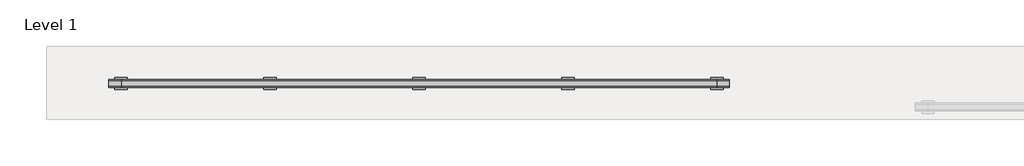
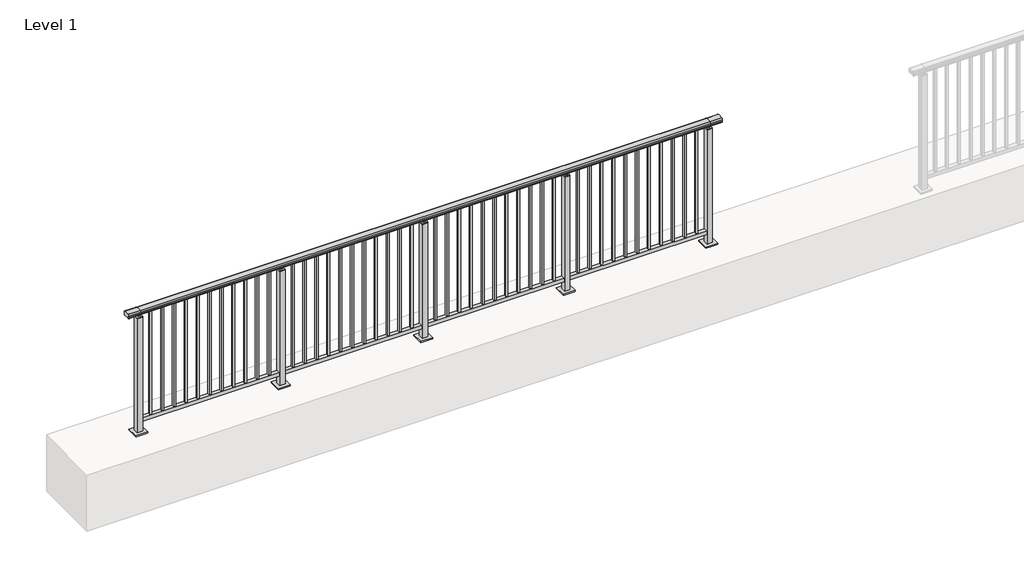
# One storey, part 24 of 64: 1 railing.
"""IFC4 building model written with IfcOpenShell, lengths in millimetres."""

from ifc_helpers import new_model, si_unit, frame, origin, origin_with_axes, place, context, project, spatial, polyline, circle_curve, outline, extrude, element, save
from ifc_brep_helpers import plane_surface, cylinder_surface, revolved_surface, advanced_brep

model = new_model("IFC4")

# Units and contexts
model_context = context("Model", 3, world=origin())
ifc_project = project(units=[si_unit("LENGTHUNIT", "METRE", prefix="MILLI")], contexts=[model_context])

# Site, building, storey
site = spatial("IfcSite", under=ifc_project)
building = spatial("IfcBuilding", under=site)
storey = spatial("IfcBuildingStorey", under=building, Name="Level 1", Elevation=0.0)

# Railing
placement = place(None, origin())
element("IfcRailing", 1, at=placement, inside=storey, context=model_context, shape_type="SolidModel", body=[
    advanced_brep(
    [(-100.0, 17715.3633756, 1095.6691182), (-100.0, 17720.1846828, 1081.1334092), (-100.0, 17719.2413744, 1069.2539035), (-100.0, 17721.1364177, 1061.4863007), (-100.0, 17719.4894799, 1060.384124), (-100.0, 17719.4894799, 1062.0), (-100.0, 17660.8798858, 1062.0), (-100.0, 17660.8798858, 1060.384124), (-100.0, 17659.232948, 1061.4863007), (-100.0, 17661.1279912, 1069.2539035), (-100.0, 17660.1846828, 1081.1334092), (-100.0, 17665.00599, 1095.6691182), (4900.0, 17715.3633756, 1095.6691182), (4900.0, 17665.00599, 1095.6691182), (4900.0, 17660.1846828, 1081.1334092), (4900.0, 17661.1279912, 1069.2539035), (4900.0, 17659.232948, 1061.4863007), (4900.0, 17660.8798858, 1060.384124), (4900.0, 17660.8798858, 1062.0), (4900.0, 17719.4894799, 1062.0), (4900.0, 17719.4894799, 1060.384124), (4900.0, 17721.1364177, 1061.4863007), (4900.0, 17719.2413744, 1069.2539035), (4900.0, 17720.1846828, 1081.1334092), (0.0, 17715.3633756, 1095.6691182), (0.0, 17720.1846828, 1081.1334092), (0.0, 17719.2413744, 1069.2539035), (0.0, 17721.1364177, 1061.4863007), (0.0, 17719.4894799, 1060.384124), (0.0, 17719.4894799, 1062.0), (0.0, 17660.8798858, 1062.0), (0.0, 17660.8798858, 1060.384124), (0.0, 17659.232948, 1061.4863007), (0.0, 17661.1279912, 1069.2539035), (0.0, 17660.1846828, 1081.1334092), (0.0, 17665.00599, 1095.6691182), (4800.0, 17715.3633756, 1095.6691182), (4800.0, 17720.1846828, 1081.1334092), (4800.0, 17719.2413744, 1069.2539035), (4800.0, 17721.1364177, 1061.4863007), (4800.0, 17719.4894799, 1060.384124), (4800.0, 17719.4894799, 1062.0), (4800.0, 17660.8798858, 1062.0), (4800.0, 17660.8798858, 1060.384124), (4800.0, 17659.232948, 1061.4863007), (4800.0, 17661.1279912, 1069.2539035), (4800.0, 17660.1846828, 1081.1334092), (4800.0, 17665.00599, 1095.6691182)],
    [
        (0, 1, circle_curve(frame((-100.0, 17712.1223845, 1086.526686), z_axis=(-1.0, 0.0, 0.0), x_axis=(0.0, -1.0, 0.0)), 9.6999015)),
        (1, 2, circle_curve(frame((-100.0, 17737.7252545, 1073.7633709), z_axis=(1.0, 0.0, 0.0), x_axis=(0.0, -1.0, 0.0)), 19.0260117)),
        (2, 3),
        (3, 4, circle_curve(frame((-100.0, 17720.2772073, 1060.9886194), z_axis=(-1.0, 0.0, 0.0), x_axis=(0.0, -1.0, 0.0)), 0.9929396)),
        (4, 5),
        (5, 6),
        (6, 7),
        (7, 8, circle_curve(frame((-100.0, 17660.0921584, 1060.9886194), z_axis=(-1.0, 0.0, 0.0), x_axis=(0.0, 1.0, 0.0)), 0.9929396)),
        (8, 9),
        (9, 10, circle_curve(frame((-100.0, 17642.6441111, 1073.7633709), z_axis=(1.0, 0.0, 0.0), x_axis=(0.0, 1.0, 0.0)), 19.0260117)),
        (10, 11, circle_curve(frame((-100.0, 17668.2469812, 1086.526686), z_axis=(-1.0, 0.0, 0.0), x_axis=(0.0, 1.0, 0.0)), 9.6999015)),
        (11, 0, circle_curve(frame((-100.0, 17690.1846828, 1024.6431628), z_axis=(-1.0, 0.0, 0.0), x_axis=(0.0, 1.0, 0.0)), 75.3568372)),
        (12, 13, circle_curve(frame((4900.0, 17690.1846828, 1024.6431628), z_axis=(1.0, 0.0, 0.0), x_axis=(0.0, 1.0, 0.0)), 75.3568372)),
        (13, 14, circle_curve(frame((4900.0, 17668.2469812, 1086.526686), z_axis=(1.0, 0.0, 0.0), x_axis=(0.0, 1.0, 0.0)), 9.6999015)),
        (14, 15, circle_curve(frame((4900.0, 17642.6441111, 1073.7633709), z_axis=(-1.0, 0.0, 0.0), x_axis=(0.0, 1.0, 0.0)), 19.0260117)),
        (15, 16),
        (16, 17, circle_curve(frame((4900.0, 17660.0921584, 1060.9886194), z_axis=(1.0, 0.0, 0.0), x_axis=(0.0, 1.0, 0.0)), 0.9929396)),
        (17, 18),
        (18, 19),
        (19, 20),
        (20, 21, circle_curve(frame((4900.0, 17720.2772073, 1060.9886194), z_axis=(1.0, 0.0, 0.0), x_axis=(0.0, -1.0, 0.0)), 0.9929396)),
        (21, 22),
        (22, 23, circle_curve(frame((4900.0, 17737.7252545, 1073.7633709), z_axis=(-1.0, 0.0, 0.0), x_axis=(0.0, -1.0, 0.0)), 19.0260117)),
        (23, 12, circle_curve(frame((4900.0, 17712.1223845, 1086.526686), z_axis=(1.0, 0.0, 0.0), x_axis=(0.0, -1.0, 0.0)), 9.6999015)),
        (0, 24),
        (24, 25, circle_curve(frame((0.0, 17712.1223845, 1086.526686), z_axis=(-1.0, 0.0, 0.0), x_axis=(0.0, -1.0, 0.0)), 9.6999015)),
        (25, 1),
        (25, 26, circle_curve(frame((0.0, 17737.7252545, 1073.7633709), z_axis=(1.0, 0.0, 0.0), x_axis=(0.0, -1.0, 0.0)), 19.0260117)),
        (26, 2),
        (26, 27),
        (27, 3),
        (27, 28, circle_curve(frame((0.0, 17720.2772073, 1060.9886194), z_axis=(-1.0, 0.0, 0.0), x_axis=(0.0, -1.0, 0.0)), 0.9929396)),
        (28, 4),
        (28, 29),
        (29, 5),
        (29, 30),
        (30, 6),
        (30, 31),
        (31, 7),
        (31, 32, circle_curve(frame((0.0, 17660.0921584, 1060.9886194), z_axis=(-1.0, 0.0, 0.0), x_axis=(0.0, 1.0, 0.0)), 0.9929396)),
        (32, 8),
        (32, 33),
        (33, 9),
        (33, 34, circle_curve(frame((0.0, 17642.6441111, 1073.7633709), z_axis=(1.0, 0.0, 0.0), x_axis=(0.0, 1.0, 0.0)), 19.0260117)),
        (34, 10),
        (34, 35, circle_curve(frame((0.0, 17668.2469812, 1086.526686), z_axis=(-1.0, 0.0, 0.0), x_axis=(0.0, 1.0, 0.0)), 9.6999015)),
        (35, 11),
        (35, 24, circle_curve(frame((0.0, 17690.1846828, 1024.6431628), z_axis=(-1.0, 0.0, 0.0), x_axis=(0.0, 1.0, 0.0)), 75.3568372)),
        (24, 36),
        (36, 37, circle_curve(frame((4800.0, 17712.1223845, 1086.526686), z_axis=(-1.0, 0.0, 0.0), x_axis=(0.0, -1.0, 0.0)), 9.6999015)),
        (37, 25),
        (37, 38, circle_curve(frame((4800.0, 17737.7252545, 1073.7633709), z_axis=(1.0, 0.0, 0.0), x_axis=(0.0, -1.0, 0.0)), 19.0260117)),
        (38, 26),
        (38, 39),
        (39, 27),
        (39, 40, circle_curve(frame((4800.0, 17720.2772073, 1060.9886194), z_axis=(-1.0, 0.0, 0.0), x_axis=(0.0, -1.0, 0.0)), 0.9929396)),
        (40, 28),
        (40, 41),
        (41, 29),
        (41, 42),
        (42, 30),
        (42, 43),
        (43, 31),
        (43, 44, circle_curve(frame((4800.0, 17660.0921584, 1060.9886194), z_axis=(-1.0, 0.0, 0.0), x_axis=(0.0, 1.0, 0.0)), 0.9929396)),
        (44, 32),
        (44, 45),
        (45, 33),
        (45, 46, circle_curve(frame((4800.0, 17642.6441111, 1073.7633709), z_axis=(1.0, 0.0, 0.0), x_axis=(0.0, 1.0, 0.0)), 19.0260117)),
        (46, 34),
        (46, 47, circle_curve(frame((4800.0, 17668.2469812, 1086.526686), z_axis=(-1.0, 0.0, 0.0), x_axis=(0.0, 1.0, 0.0)), 9.6999015)),
        (47, 35),
        (47, 36, circle_curve(frame((4800.0, 17690.1846828, 1024.6431628), z_axis=(-1.0, 0.0, 0.0), x_axis=(0.0, 1.0, 0.0)), 75.3568372)),
        (36, 12),
        (23, 37),
        (22, 38),
        (21, 39),
        (20, 40),
        (19, 41),
        (18, 42),
        (17, 43),
        (16, 44),
        (15, 45),
        (14, 46),
        (13, 47),
    ],
    [
        plane_surface(frame((-100.0, 17690.1846828, 1100.0), z_axis=(-1.0, 0.0, 0.0), x_axis=(0.0, 1.0, 0.0))),
        plane_surface(frame((4900.0, 17690.1846828, 1100.0), z_axis=(1.0, 0.0, 0.0), x_axis=(0.0, 1.0, 0.0))),
        cylinder_surface(frame((-100.0, 17712.1223845, 1086.526686), z_axis=(-1.0, 0.0, 0.0), x_axis=(0.0, -1.0, 0.0)), 9.6999015),
        revolved_surface(polyline([(0.0, 17718.6992428, 1073.7633709), (-100.0, 17718.6992428, 1073.7633709)]), (-100.0, 17737.7252545, 1073.7633709), (1.0, 0.0, 0.0)),
        plane_surface(frame((-100.0, 17719.2413744, 1069.2539035), z_axis=(0.0, 0.9715057689301543, 0.2370159086125439), x_axis=(1.0, 0.0, 0.0))),
        cylinder_surface(frame((-100.0, 17720.2772073, 1060.9886194), z_axis=(-1.0, 0.0, 0.0), x_axis=(0.0, -1.0, 0.0)), 0.9929396),
        plane_surface(frame((-100.0, 17719.4894799, 1060.384124), z_axis=(0.0, -1.0, 0.0), x_axis=(1.0, 0.0, 0.0))),
        plane_surface(frame((-100.0, 17719.4894799, 1062.0), z_axis=(0.0, 0.0, -1.0), x_axis=(1.0, 0.0, 0.0))),
        plane_surface(frame((-100.0, 17660.8798858, 1062.0), z_axis=(0.0, 1.0, 0.0), x_axis=(1.0, 0.0, 0.0))),
        cylinder_surface(frame((-100.0, 17660.0921584, 1060.9886194), z_axis=(-1.0, 0.0, 0.0), x_axis=(0.0, 1.0, 0.0)), 0.9929396),
        plane_surface(frame((-100.0, 17659.232948, 1061.4863007), z_axis=(0.0, -0.9715057689301543, 0.2370159086125439), x_axis=(1.0, 0.0, 0.0))),
        revolved_surface(polyline([(0.0, 17661.6701228, 1073.7633709), (-100.0, 17661.6701228, 1073.7633709)]), (-100.0, 17642.6441111, 1073.7633709), (1.0, 0.0, 0.0)),
        cylinder_surface(frame((-100.0, 17668.2469812, 1086.526686), z_axis=(-1.0, 0.0, 0.0), x_axis=(0.0, 1.0, 0.0)), 9.6999015),
        cylinder_surface(frame((-100.0, 17690.1846828, 1024.6431628), z_axis=(-1.0, 0.0, 0.0), x_axis=(0.0, 1.0, 0.0)), 75.3568372),
        cylinder_surface(frame((0.0, 17712.1223845, 1086.526686), z_axis=(-1.0, 0.0, 0.0), x_axis=(0.0, -1.0, 0.0)), 9.6999015),
        revolved_surface(polyline([(4800.0, 17718.6992428, 1073.7633709), (0.0, 17718.6992428, 1073.7633709)]), (0.0, 17737.7252545, 1073.7633709), (1.0, 0.0, 0.0)),
        plane_surface(frame((0.0, 17719.2413744, 1069.2539035), z_axis=(0.0, 0.9715057689301543, 0.2370159086125439), x_axis=(1.0, 0.0, 0.0))),
        cylinder_surface(frame((0.0, 17720.2772073, 1060.9886194), z_axis=(-1.0, 0.0, 0.0), x_axis=(0.0, -1.0, 0.0)), 0.9929396),
        plane_surface(frame((0.0, 17719.4894799, 1060.384124), z_axis=(0.0, -1.0, 0.0), x_axis=(1.0, 0.0, 0.0))),
        plane_surface(frame((0.0, 17719.4894799, 1062.0), z_axis=(0.0, 0.0, -1.0), x_axis=(1.0, 0.0, 0.0))),
        plane_surface(frame((0.0, 17660.8798858, 1062.0), z_axis=(0.0, 1.0, 0.0), x_axis=(1.0, 0.0, 0.0))),
        cylinder_surface(frame((0.0, 17660.0921584, 1060.9886194), z_axis=(-1.0, 0.0, 0.0), x_axis=(0.0, 1.0, 0.0)), 0.9929396),
        plane_surface(frame((0.0, 17659.232948, 1061.4863007), z_axis=(0.0, -0.9715057689301543, 0.2370159086125439), x_axis=(1.0, 0.0, 0.0))),
        revolved_surface(polyline([(4800.0, 17661.6701228, 1073.7633709), (0.0, 17661.6701228, 1073.7633709)]), (0.0, 17642.6441111, 1073.7633709), (1.0, 0.0, 0.0)),
        cylinder_surface(frame((0.0, 17668.2469812, 1086.526686), z_axis=(-1.0, 0.0, 0.0), x_axis=(0.0, 1.0, 0.0)), 9.6999015),
        cylinder_surface(frame((0.0, 17690.1846828, 1024.6431628), z_axis=(-1.0, 0.0, 0.0), x_axis=(0.0, 1.0, 0.0)), 75.3568372),
        cylinder_surface(frame((4800.0, 17712.1223845, 1086.526686), z_axis=(-1.0, 0.0, 0.0), x_axis=(0.0, -1.0, 0.0)), 9.6999015),
        revolved_surface(polyline([(4900.0, 17718.6992428, 1073.7633709), (4800.0, 17718.6992428, 1073.7633709)]), (4800.0, 17737.7252545, 1073.7633709), (1.0, 0.0, 0.0)),
        plane_surface(frame((4800.0, 17719.2413744, 1069.2539035), z_axis=(0.0, 0.9715057689301543, 0.2370159086125439), x_axis=(1.0, 0.0, 0.0))),
        cylinder_surface(frame((4800.0, 17720.2772073, 1060.9886194), z_axis=(-1.0, 0.0, 0.0), x_axis=(0.0, -1.0, 0.0)), 0.9929396),
        plane_surface(frame((4800.0, 17719.4894799, 1060.384124), z_axis=(0.0, -1.0, 0.0), x_axis=(1.0, 0.0, 0.0))),
        plane_surface(frame((4800.0, 17719.4894799, 1062.0), z_axis=(0.0, 0.0, -1.0), x_axis=(1.0, 0.0, 0.0))),
        plane_surface(frame((4800.0, 17660.8798858, 1062.0), z_axis=(0.0, 1.0, 0.0), x_axis=(1.0, 0.0, 0.0))),
        cylinder_surface(frame((4800.0, 17660.0921584, 1060.9886194), z_axis=(-1.0, 0.0, 0.0), x_axis=(0.0, 1.0, 0.0)), 0.9929396),
        plane_surface(frame((4800.0, 17659.232948, 1061.4863007), z_axis=(0.0, -0.9715057689301543, 0.2370159086125439), x_axis=(1.0, 0.0, 0.0))),
        revolved_surface(polyline([(4900.0, 17661.6701228, 1073.7633709), (4800.0, 17661.6701228, 1073.7633709)]), (4800.0, 17642.6441111, 1073.7633709), (1.0, 0.0, 0.0)),
        cylinder_surface(frame((4800.0, 17668.2469812, 1086.526686), z_axis=(-1.0, 0.0, 0.0), x_axis=(0.0, 1.0, 0.0)), 9.6999015),
        cylinder_surface(frame((4800.0, 17690.1846828, 1024.6431628), z_axis=(-1.0, 0.0, 0.0), x_axis=(0.0, 1.0, 0.0)), 75.3568372),
    ],
    [
        (0, [[1, 2, 3, 4, 5, 6, 7, 8, 9, 10, 11, 12]]),
        (1, [[13, 14, 15, 16, 17, 18, 19, 20, 21, 22, 23, 24]]),
        (2, [[-1, 25, 26, 27]]),
        (3, [[-2, -27, 28, 29]]),
        (4, [[-3, -29, 30, 31]]),
        (5, [[-4, -31, 32, 33]]),
        (6, [[-5, -33, 34, 35]]),
        (7, [[-6, -35, 36, 37]]),
        (8, [[-7, -37, 38, 39]]),
        (9, [[-8, -39, 40, 41]]),
        (10, [[-9, -41, 42, 43]]),
        (11, [[-10, -43, 44, 45]]),
        (12, [[-11, -45, 46, 47]]),
        (13, [[-12, -47, 48, -25]]),
        (14, [[-26, 49, 50, 51]]),
        (15, [[-28, -51, 52, 53]]),
        (16, [[-30, -53, 54, 55]]),
        (17, [[-32, -55, 56, 57]]),
        (18, [[-34, -57, 58, 59]]),
        (19, [[-36, -59, 60, 61]]),
        (20, [[-38, -61, 62, 63]]),
        (21, [[-40, -63, 64, 65]]),
        (22, [[-42, -65, 66, 67]]),
        (23, [[-44, -67, 68, 69]]),
        (24, [[-46, -69, 70, 71]]),
        (25, [[-48, -71, 72, -49]]),
        (26, [[-50, 73, -24, 74]]),
        (27, [[-52, -74, -23, 75]]),
        (28, [[-54, -75, -22, 76]]),
        (29, [[-56, -76, -21, 77]]),
        (30, [[-58, -77, -20, 78]]),
        (31, [[-60, -78, -19, 79]]),
        (32, [[-62, -79, -18, 80]]),
        (33, [[-64, -80, -17, 81]]),
        (34, [[-66, -81, -16, 82]]),
        (35, [[-68, -82, -15, 83]]),
        (36, [[-70, -83, -14, 84]]),
        (37, [[-72, -84, -13, -73]]),
    ],
),
    extrude(outline(polyline([(0.0, 17672.6846828), (0.0, 17707.6846828), (4800.0, 17707.6846828), (4800.0, 17672.6846828), (0.0, 17672.6846828)])), frame((0.0, 0.0, 95.0), z_axis=(0.0, 0.0, 1.0), x_axis=(1.0, 0.0, 0.0)), (0.0, 0.0, 1.0), 30.0),
    extrude(outline(polyline([(4708.5, 17698.6846828), (4708.5, 17681.6846828), (4691.5, 17681.6846828), (4691.5, 17698.6846828), (4708.5, 17698.6846828)])), frame((0.0, 0.0, 125.0), z_axis=(0.0, 0.0, 1.0), x_axis=(1.0, 0.0, 0.0)), (0.0, 0.0, 1.0), 930.0),
    extrude(outline(polyline([(4608.5, 17698.6846828), (4608.5, 17681.6846828), (4591.5, 17681.6846828), (4591.5, 17698.6846828), (4608.5, 17698.6846828)])), frame((0.0, 0.0, 125.0), z_axis=(0.0, 0.0, 1.0), x_axis=(1.0, 0.0, 0.0)), (0.0, 0.0, 1.0), 930.0),
    extrude(outline(polyline([(4508.5, 17698.6846828), (4508.5, 17681.6846828), (4491.5, 17681.6846828), (4491.5, 17698.6846828), (4508.5, 17698.6846828)])), frame((0.0, 0.0, 125.0), z_axis=(0.0, 0.0, 1.0), x_axis=(1.0, 0.0, 0.0)), (0.0, 0.0, 1.0), 930.0),
    extrude(outline(polyline([(4408.5, 17698.6846828), (4408.5, 17681.6846828), (4391.5, 17681.6846828), (4391.5, 17698.6846828), (4408.5, 17698.6846828)])), frame((0.0, 0.0, 125.0), z_axis=(0.0, 0.0, 1.0), x_axis=(1.0, 0.0, 0.0)), (0.0, 0.0, 1.0), 930.0),
    extrude(outline(polyline([(4308.5, 17698.6846828), (4308.5, 17681.6846828), (4291.5, 17681.6846828), (4291.5, 17698.6846828), (4308.5, 17698.6846828)])), frame((0.0, 0.0, 125.0), z_axis=(0.0, 0.0, 1.0), x_axis=(1.0, 0.0, 0.0)), (0.0, 0.0, 1.0), 930.0),
    extrude(outline(polyline([(4208.5, 17698.6846828), (4208.5, 17681.6846828), (4191.5, 17681.6846828), (4191.5, 17698.6846828), (4208.5, 17698.6846828)])), frame((0.0, 0.0, 125.0), z_axis=(0.0, 0.0, 1.0), x_axis=(1.0, 0.0, 0.0)), (0.0, 0.0, 1.0), 930.0),
    extrude(outline(polyline([(4108.5, 17698.6846828), (4108.5, 17681.6846828), (4091.5, 17681.6846828), (4091.5, 17698.6846828), (4108.5, 17698.6846828)])), frame((0.0, 0.0, 125.0), z_axis=(0.0, 0.0, 1.0), x_axis=(1.0, 0.0, 0.0)), (0.0, 0.0, 1.0), 930.0),
    extrude(outline(polyline([(4008.5, 17698.6846828), (4008.5, 17681.6846828), (3991.5, 17681.6846828), (3991.5, 17698.6846828), (4008.5, 17698.6846828)])), frame((0.0, 0.0, 125.0), z_axis=(0.0, 0.0, 1.0), x_axis=(1.0, 0.0, 0.0)), (0.0, 0.0, 1.0), 930.0),
    extrude(outline(polyline([(3908.5, 17698.6846828), (3908.5, 17681.6846828), (3891.5, 17681.6846828), (3891.5, 17698.6846828), (3908.5, 17698.6846828)])), frame((0.0, 0.0, 125.0), z_axis=(0.0, 0.0, 1.0), x_axis=(1.0, 0.0, 0.0)), (0.0, 0.0, 1.0), 930.0),
    extrude(outline(polyline([(3808.5, 17698.6846828), (3808.5, 17681.6846828), (3791.5, 17681.6846828), (3791.5, 17698.6846828), (3808.5, 17698.6846828)])), frame((0.0, 0.0, 125.0), z_axis=(0.0, 0.0, 1.0), x_axis=(1.0, 0.0, 0.0)), (0.0, 0.0, 1.0), 930.0),
    extrude(outline(polyline([(3708.5, 17698.6846828), (3708.5, 17681.6846828), (3691.5, 17681.6846828), (3691.5, 17698.6846828), (3708.5, 17698.6846828)])), frame((0.0, 0.0, 125.0), z_axis=(0.0, 0.0, 1.0), x_axis=(1.0, 0.0, 0.0)), (0.0, 0.0, 1.0), 930.0),
    extrude(outline(polyline([(3610.0, 17680.1846828), (3590.0, 17680.1846828), (3590.0, 17700.1846828), (3610.0, 17700.1846828), (3610.0, 17680.1846828)])), frame((0.0, 0.0, 1035.0), z_axis=(0.0, 0.0, 1.0), x_axis=(1.0, 0.0, 0.0)), (0.0, 0.0, 1.0), 20.0),
    extrude(outline(polyline([(3622.5, 17667.6846828), (3577.5, 17667.6846828), (3577.5, 17712.6846828), (3622.5, 17712.6846828), (3622.5, 17667.6846828)])), frame((0.0, 0.0, 1027.0), z_axis=(0.0, 0.0, 1.0), x_axis=(1.0, 0.0, 0.0)), (0.0, 0.0, 1.0), 8.0),
    extrude(outline(polyline([(3650.0, 17640.1846828), (3550.0, 17640.1846828), (3550.0, 17740.1846828), (3650.0, 17740.1846828), (3650.0, 17640.1846828)])), origin_with_axes(), (0.0, 0.0, 1.0), 12.0),
    extrude(outline(polyline([(3622.5, 17667.6846828), (3577.5, 17667.6846828), (3577.5, 17712.6846828), (3622.5, 17712.6846828), (3622.5, 17667.6846828)])), frame((0.0, 0.0, 12.0), z_axis=(0.0, 0.0, 1.0), x_axis=(1.0, 0.0, 0.0)), (0.0, 0.0, 1.0), 1015.0),
    extrude(outline(polyline([(3508.5, 17698.6846828), (3508.5, 17681.6846828), (3491.5, 17681.6846828), (3491.5, 17698.6846828), (3508.5, 17698.6846828)])), frame((0.0, 0.0, 125.0), z_axis=(0.0, 0.0, 1.0), x_axis=(1.0, 0.0, 0.0)), (0.0, 0.0, 1.0), 930.0),
    extrude(outline(polyline([(3408.5, 17698.6846828), (3408.5, 17681.6846828), (3391.5, 17681.6846828), (3391.5, 17698.6846828), (3408.5, 17698.6846828)])), frame((0.0, 0.0, 125.0), z_axis=(0.0, 0.0, 1.0), x_axis=(1.0, 0.0, 0.0)), (0.0, 0.0, 1.0), 930.0),
    extrude(outline(polyline([(3308.5, 17698.6846828), (3308.5, 17681.6846828), (3291.5, 17681.6846828), (3291.5, 17698.6846828), (3308.5, 17698.6846828)])), frame((0.0, 0.0, 125.0), z_axis=(0.0, 0.0, 1.0), x_axis=(1.0, 0.0, 0.0)), (0.0, 0.0, 1.0), 930.0),
    extrude(outline(polyline([(3208.5, 17698.6846828), (3208.5, 17681.6846828), (3191.5, 17681.6846828), (3191.5, 17698.6846828), (3208.5, 17698.6846828)])), frame((0.0, 0.0, 125.0), z_axis=(0.0, 0.0, 1.0), x_axis=(1.0, 0.0, 0.0)), (0.0, 0.0, 1.0), 930.0),
    extrude(outline(polyline([(3108.5, 17698.6846828), (3108.5, 17681.6846828), (3091.5, 17681.6846828), (3091.5, 17698.6846828), (3108.5, 17698.6846828)])), frame((0.0, 0.0, 125.0), z_axis=(0.0, 0.0, 1.0), x_axis=(1.0, 0.0, 0.0)), (0.0, 0.0, 1.0), 930.0),
    extrude(outline(polyline([(3008.5, 17698.6846828), (3008.5, 17681.6846828), (2991.5, 17681.6846828), (2991.5, 17698.6846828), (3008.5, 17698.6846828)])), frame((0.0, 0.0, 125.0), z_axis=(0.0, 0.0, 1.0), x_axis=(1.0, 0.0, 0.0)), (0.0, 0.0, 1.0), 930.0),
    extrude(outline(polyline([(2908.5, 17698.6846828), (2908.5, 17681.6846828), (2891.5, 17681.6846828), (2891.5, 17698.6846828), (2908.5, 17698.6846828)])), frame((0.0, 0.0, 125.0), z_axis=(0.0, 0.0, 1.0), x_axis=(1.0, 0.0, 0.0)), (0.0, 0.0, 1.0), 930.0),
    extrude(outline(polyline([(2808.5, 17698.6846828), (2808.5, 17681.6846828), (2791.5, 17681.6846828), (2791.5, 17698.6846828), (2808.5, 17698.6846828)])), frame((0.0, 0.0, 125.0), z_axis=(0.0, 0.0, 1.0), x_axis=(1.0, 0.0, 0.0)), (0.0, 0.0, 1.0), 930.0),
    extrude(outline(polyline([(2708.5, 17698.6846828), (2708.5, 17681.6846828), (2691.5, 17681.6846828), (2691.5, 17698.6846828), (2708.5, 17698.6846828)])), frame((0.0, 0.0, 125.0), z_axis=(0.0, 0.0, 1.0), x_axis=(1.0, 0.0, 0.0)), (0.0, 0.0, 1.0), 930.0),
    extrude(outline(polyline([(2608.5, 17698.6846828), (2608.5, 17681.6846828), (2591.5, 17681.6846828), (2591.5, 17698.6846828), (2608.5, 17698.6846828)])), frame((0.0, 0.0, 125.0), z_axis=(0.0, 0.0, 1.0), x_axis=(1.0, 0.0, 0.0)), (0.0, 0.0, 1.0), 930.0),
    extrude(outline(polyline([(2508.5, 17698.6846828), (2508.5, 17681.6846828), (2491.5, 17681.6846828), (2491.5, 17698.6846828), (2508.5, 17698.6846828)])), frame((0.0, 0.0, 125.0), z_axis=(0.0, 0.0, 1.0), x_axis=(1.0, 0.0, 0.0)), (0.0, 0.0, 1.0), 930.0),
    extrude(outline(polyline([(2410.0, 17680.1846828), (2390.0, 17680.1846828), (2390.0, 17700.1846828), (2410.0, 17700.1846828), (2410.0, 17680.1846828)])), frame((0.0, 0.0, 1035.0), z_axis=(0.0, 0.0, 1.0), x_axis=(1.0, 0.0, 0.0)), (0.0, 0.0, 1.0), 20.0),
    extrude(outline(polyline([(2422.5, 17667.6846828), (2377.5, 17667.6846828), (2377.5, 17712.6846828), (2422.5, 17712.6846828), (2422.5, 17667.6846828)])), frame((0.0, 0.0, 1027.0), z_axis=(0.0, 0.0, 1.0), x_axis=(1.0, 0.0, 0.0)), (0.0, 0.0, 1.0), 8.0),
    extrude(outline(polyline([(2450.0, 17640.1846828), (2350.0, 17640.1846828), (2350.0, 17740.1846828), (2450.0, 17740.1846828), (2450.0, 17640.1846828)])), origin_with_axes(), (0.0, 0.0, 1.0), 12.0),
    extrude(outline(polyline([(2422.5, 17667.6846828), (2377.5, 17667.6846828), (2377.5, 17712.6846828), (2422.5, 17712.6846828), (2422.5, 17667.6846828)])), frame((0.0, 0.0, 12.0), z_axis=(0.0, 0.0, 1.0), x_axis=(1.0, 0.0, 0.0)), (0.0, 0.0, 1.0), 1015.0),
    extrude(outline(polyline([(2308.5, 17698.6846828), (2308.5, 17681.6846828), (2291.5, 17681.6846828), (2291.5, 17698.6846828), (2308.5, 17698.6846828)])), frame((0.0, 0.0, 125.0), z_axis=(0.0, 0.0, 1.0), x_axis=(1.0, 0.0, 0.0)), (0.0, 0.0, 1.0), 930.0),
    extrude(outline(polyline([(2208.5, 17698.6846828), (2208.5, 17681.6846828), (2191.5, 17681.6846828), (2191.5, 17698.6846828), (2208.5, 17698.6846828)])), frame((0.0, 0.0, 125.0), z_axis=(0.0, 0.0, 1.0), x_axis=(1.0, 0.0, 0.0)), (0.0, 0.0, 1.0), 930.0),
    extrude(outline(polyline([(2108.5, 17698.6846828), (2108.5, 17681.6846828), (2091.5, 17681.6846828), (2091.5, 17698.6846828), (2108.5, 17698.6846828)])), frame((0.0, 0.0, 125.0), z_axis=(0.0, 0.0, 1.0), x_axis=(1.0, 0.0, 0.0)), (0.0, 0.0, 1.0), 930.0),
    extrude(outline(polyline([(2008.5, 17698.6846828), (2008.5, 17681.6846828), (1991.5, 17681.6846828), (1991.5, 17698.6846828), (2008.5, 17698.6846828)])), frame((0.0, 0.0, 125.0), z_axis=(0.0, 0.0, 1.0), x_axis=(1.0, 0.0, 0.0)), (0.0, 0.0, 1.0), 930.0),
    extrude(outline(polyline([(1908.5, 17698.6846828), (1908.5, 17681.6846828), (1891.5, 17681.6846828), (1891.5, 17698.6846828), (1908.5, 17698.6846828)])), frame((0.0, 0.0, 125.0), z_axis=(0.0, 0.0, 1.0), x_axis=(1.0, 0.0, 0.0)), (0.0, 0.0, 1.0), 930.0),
    extrude(outline(polyline([(1808.5, 17698.6846828), (1808.5, 17681.6846828), (1791.5, 17681.6846828), (1791.5, 17698.6846828), (1808.5, 17698.6846828)])), frame((0.0, 0.0, 125.0), z_axis=(0.0, 0.0, 1.0), x_axis=(1.0, 0.0, 0.0)), (0.0, 0.0, 1.0), 930.0),
    extrude(outline(polyline([(1708.5, 17698.6846828), (1708.5, 17681.6846828), (1691.5, 17681.6846828), (1691.5, 17698.6846828), (1708.5, 17698.6846828)])), frame((0.0, 0.0, 125.0), z_axis=(0.0, 0.0, 1.0), x_axis=(1.0, 0.0, 0.0)), (0.0, 0.0, 1.0), 930.0),
    extrude(outline(polyline([(1608.5, 17698.6846828), (1608.5, 17681.6846828), (1591.5, 17681.6846828), (1591.5, 17698.6846828), (1608.5, 17698.6846828)])), frame((0.0, 0.0, 125.0), z_axis=(0.0, 0.0, 1.0), x_axis=(1.0, 0.0, 0.0)), (0.0, 0.0, 1.0), 930.0),
    extrude(outline(polyline([(1508.5, 17698.6846828), (1508.5, 17681.6846828), (1491.5, 17681.6846828), (1491.5, 17698.6846828), (1508.5, 17698.6846828)])), frame((0.0, 0.0, 125.0), z_axis=(0.0, 0.0, 1.0), x_axis=(1.0, 0.0, 0.0)), (0.0, 0.0, 1.0), 930.0),
    extrude(outline(polyline([(1408.5, 17698.6846828), (1408.5, 17681.6846828), (1391.5, 17681.6846828), (1391.5, 17698.6846828), (1408.5, 17698.6846828)])), frame((0.0, 0.0, 125.0), z_axis=(0.0, 0.0, 1.0), x_axis=(1.0, 0.0, 0.0)), (0.0, 0.0, 1.0), 930.0),
    extrude(outline(polyline([(1308.5, 17698.6846828), (1308.5, 17681.6846828), (1291.5, 17681.6846828), (1291.5, 17698.6846828), (1308.5, 17698.6846828)])), frame((0.0, 0.0, 125.0), z_axis=(0.0, 0.0, 1.0), x_axis=(1.0, 0.0, 0.0)), (0.0, 0.0, 1.0), 930.0),
    extrude(outline(polyline([(1210.0, 17680.1846828), (1190.0, 17680.1846828), (1190.0, 17700.1846828), (1210.0, 17700.1846828), (1210.0, 17680.1846828)])), frame((0.0, 0.0, 1035.0), z_axis=(0.0, 0.0, 1.0), x_axis=(1.0, 0.0, 0.0)), (0.0, 0.0, 1.0), 20.0),
    extrude(outline(polyline([(1222.5, 17667.6846828), (1177.5, 17667.6846828), (1177.5, 17712.6846828), (1222.5, 17712.6846828), (1222.5, 17667.6846828)])), frame((0.0, 0.0, 1027.0), z_axis=(0.0, 0.0, 1.0), x_axis=(1.0, 0.0, 0.0)), (0.0, 0.0, 1.0), 8.0),
    extrude(outline(polyline([(1250.0, 17640.1846828), (1150.0, 17640.1846828), (1150.0, 17740.1846828), (1250.0, 17740.1846828), (1250.0, 17640.1846828)])), origin_with_axes(), (0.0, 0.0, 1.0), 12.0),
    extrude(outline(polyline([(1222.5, 17667.6846828), (1177.5, 17667.6846828), (1177.5, 17712.6846828), (1222.5, 17712.6846828), (1222.5, 17667.6846828)])), frame((0.0, 0.0, 12.0), z_axis=(0.0, 0.0, 1.0), x_axis=(1.0, 0.0, 0.0)), (0.0, 0.0, 1.0), 1015.0),
    extrude(outline(polyline([(1108.5, 17698.6846828), (1108.5, 17681.6846828), (1091.5, 17681.6846828), (1091.5, 17698.6846828), (1108.5, 17698.6846828)])), frame((0.0, 0.0, 125.0), z_axis=(0.0, 0.0, 1.0), x_axis=(1.0, 0.0, 0.0)), (0.0, 0.0, 1.0), 930.0),
    extrude(outline(polyline([(1008.5, 17698.6846828), (1008.5, 17681.6846828), (991.5, 17681.6846828), (991.5, 17698.6846828), (1008.5, 17698.6846828)])), frame((0.0, 0.0, 125.0), z_axis=(0.0, 0.0, 1.0), x_axis=(1.0, 0.0, 0.0)), (0.0, 0.0, 1.0), 930.0),
    extrude(outline(polyline([(908.5, 17698.6846828), (908.5, 17681.6846828), (891.5, 17681.6846828), (891.5, 17698.6846828), (908.5, 17698.6846828)])), frame((0.0, 0.0, 125.0), z_axis=(0.0, 0.0, 1.0), x_axis=(1.0, 0.0, 0.0)), (0.0, 0.0, 1.0), 930.0),
    extrude(outline(polyline([(808.5, 17698.6846828), (808.5, 17681.6846828), (791.5, 17681.6846828), (791.5, 17698.6846828), (808.5, 17698.6846828)])), frame((0.0, 0.0, 125.0), z_axis=(0.0, 0.0, 1.0), x_axis=(1.0, 0.0, 0.0)), (0.0, 0.0, 1.0), 930.0),
    extrude(outline(polyline([(708.5, 17698.6846828), (708.5, 17681.6846828), (691.5, 17681.6846828), (691.5, 17698.6846828), (708.5, 17698.6846828)])), frame((0.0, 0.0, 125.0), z_axis=(0.0, 0.0, 1.0), x_axis=(1.0, 0.0, 0.0)), (0.0, 0.0, 1.0), 930.0),
    extrude(outline(polyline([(608.5, 17698.6846828), (608.5, 17681.6846828), (591.5, 17681.6846828), (591.5, 17698.6846828), (608.5, 17698.6846828)])), frame((0.0, 0.0, 125.0), z_axis=(0.0, 0.0, 1.0), x_axis=(1.0, 0.0, 0.0)), (0.0, 0.0, 1.0), 930.0),
    extrude(outline(polyline([(508.5, 17698.6846828), (508.5, 17681.6846828), (491.5, 17681.6846828), (491.5, 17698.6846828), (508.5, 17698.6846828)])), frame((0.0, 0.0, 125.0), z_axis=(0.0, 0.0, 1.0), x_axis=(1.0, 0.0, 0.0)), (0.0, 0.0, 1.0), 930.0),
    extrude(outline(polyline([(408.5, 17698.6846828), (408.5, 17681.6846828), (391.5, 17681.6846828), (391.5, 17698.6846828), (408.5, 17698.6846828)])), frame((0.0, 0.0, 125.0), z_axis=(0.0, 0.0, 1.0), x_axis=(1.0, 0.0, 0.0)), (0.0, 0.0, 1.0), 930.0),
    extrude(outline(polyline([(308.5, 17698.6846828), (308.5, 17681.6846828), (291.5, 17681.6846828), (291.5, 17698.6846828), (308.5, 17698.6846828)])), frame((0.0, 0.0, 125.0), z_axis=(0.0, 0.0, 1.0), x_axis=(1.0, 0.0, 0.0)), (0.0, 0.0, 1.0), 930.0),
    extrude(outline(polyline([(208.5, 17698.6846828), (208.5, 17681.6846828), (191.5, 17681.6846828), (191.5, 17698.6846828), (208.5, 17698.6846828)])), frame((0.0, 0.0, 125.0), z_axis=(0.0, 0.0, 1.0), x_axis=(1.0, 0.0, 0.0)), (0.0, 0.0, 1.0), 930.0),
    extrude(outline(polyline([(108.5, 17698.6846828), (108.5, 17681.6846828), (91.5, 17681.6846828), (91.5, 17698.6846828), (108.5, 17698.6846828)])), frame((0.0, 0.0, 125.0), z_axis=(0.0, 0.0, 1.0), x_axis=(1.0, 0.0, 0.0)), (0.0, 0.0, 1.0), 930.0),
    extrude(outline(polyline([(4810.0, 17680.1846828), (4790.0, 17680.1846828), (4790.0, 17700.1846828), (4810.0, 17700.1846828), (4810.0, 17680.1846828)])), frame((0.0, 0.0, 1035.0), z_axis=(0.0, 0.0, 1.0), x_axis=(1.0, 0.0, 0.0)), (0.0, 0.0, 1.0), 20.0),
    extrude(outline(polyline([(4822.5, 17667.6846828), (4777.5, 17667.6846828), (4777.5, 17712.6846828), (4822.5, 17712.6846828), (4822.5, 17667.6846828)])), frame((0.0, 0.0, 1027.0), z_axis=(0.0, 0.0, 1.0), x_axis=(1.0, 0.0, 0.0)), (0.0, 0.0, 1.0), 8.0),
    extrude(outline(polyline([(4850.0, 17640.1846828), (4750.0, 17640.1846828), (4750.0, 17740.1846828), (4850.0, 17740.1846828), (4850.0, 17640.1846828)])), origin_with_axes(), (0.0, 0.0, 1.0), 12.0),
    extrude(outline(polyline([(4822.5, 17667.6846828), (4777.5, 17667.6846828), (4777.5, 17712.6846828), (4822.5, 17712.6846828), (4822.5, 17667.6846828)])), frame((0.0, 0.0, 12.0), z_axis=(0.0, 0.0, 1.0), x_axis=(1.0, 0.0, 0.0)), (0.0, 0.0, 1.0), 1015.0),
    extrude(outline(polyline([(10.0, 17680.1846828), (-10.0, 17680.1846828), (-10.0, 17700.1846828), (10.0, 17700.1846828), (10.0, 17680.1846828)])), frame((0.0, 0.0, 1035.0), z_axis=(0.0, 0.0, 1.0), x_axis=(1.0, 0.0, 0.0)), (0.0, 0.0, 1.0), 20.0),
    extrude(outline(polyline([(22.5, 17667.6846828), (-22.5, 17667.6846828), (-22.5, 17712.6846828), (22.5, 17712.6846828), (22.5, 17667.6846828)])), frame((0.0, 0.0, 1027.0), z_axis=(0.0, 0.0, 1.0), x_axis=(1.0, 0.0, 0.0)), (0.0, 0.0, 1.0), 8.0),
    extrude(outline(polyline([(50.0, 17640.1846828), (-50.0, 17640.1846828), (-50.0, 17740.1846828), (50.0, 17740.1846828), (50.0, 17640.1846828)])), origin_with_axes(), (0.0, 0.0, 1.0), 12.0),
    extrude(outline(polyline([(22.5, 17667.6846828), (-22.5, 17667.6846828), (-22.5, 17712.6846828), (22.5, 17712.6846828), (22.5, 17667.6846828)])), frame((0.0, 0.0, 12.0), z_axis=(0.0, 0.0, 1.0), x_axis=(1.0, 0.0, 0.0)), (0.0, 0.0, 1.0), 1015.0),
])

save(model, "model.ifc")
